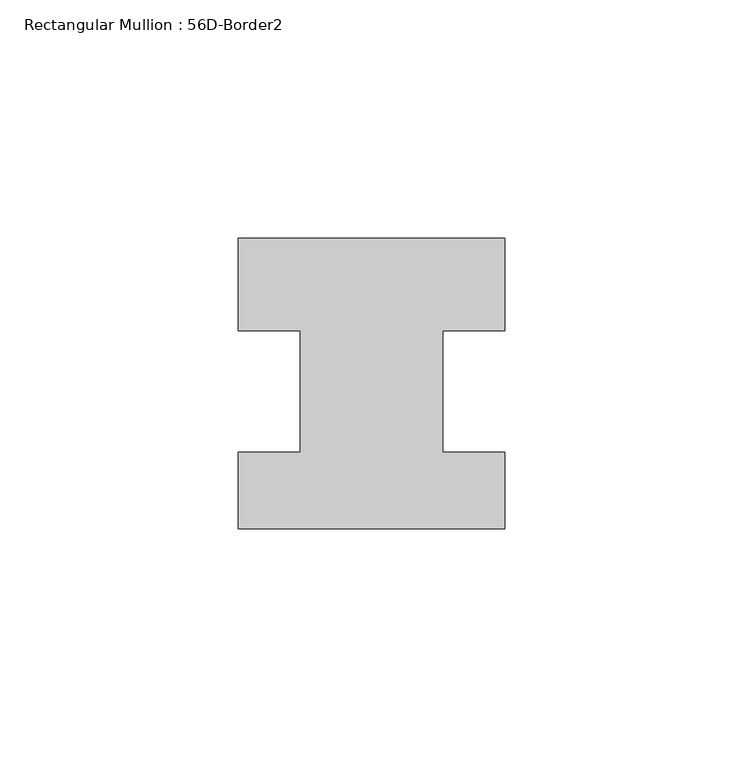
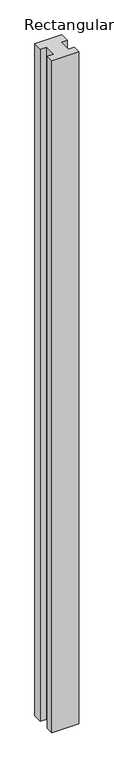
"""IFC4 building model written with IfcOpenShell, lengths in millimetres: member geometry, Rectangular Mullion : 56D-Border2."""

import ifcopenshell
import ifcopenshell.guid

model = None  # the IFC model being written
_history = None  # IfcOwnerHistory: only IFC2X3 demands one
_inside = {}  # id of a spatial element -> (the spatial element, [elements in it])
_under = {}  # id of a project, library or spatial element -> (it, [spatial elements below it])
_declared = {}  # id of a project -> (the project, [libraries it declares])
_typed = {}  # id of a type object -> (the type object, [elements of that type])
_made_of = {}  # id of a material, layer set ... -> (it, [elements and type objects made of it])


def new_model(schema):
    """Start an empty IFC model of exactly this schema.

    Asked for "IFC4X3", IfcOpenShell would pick the latest addendum, in which some entities
    have other attributes; the version numbers below select the first issue.
    IFC2X3 requires an IfcOwnerHistory on every rooted entity: one is made here for all.
    """
    global model, _history
    if schema == "IFC4X3":
        model = ifcopenshell.file(schema_version=(4, 3, 0, 0))
    else:
        model = ifcopenshell.file(schema=schema)
    _inside.clear()
    _under.clear()
    _declared.clear()
    _typed.clear()
    _made_of.clear()
    _history = None
    if model.schema == "IFC2X3":
        org = make("IfcOrganization", Name="unknown")
        user = make(
            "IfcPersonAndOrganization",
            ThePerson=make("IfcPerson", FamilyName="unknown"),
            TheOrganization=org,
        )
        app = make(
            "IfcApplication",
            ApplicationDeveloper=org,
            Version="unknown",
            ApplicationFullName="unknown",
            ApplicationIdentifier="unknown",
        )
        _history = make(
            "IfcOwnerHistory",
            OwningUser=user,
            OwningApplication=app,
            ChangeAction="ADDED",
            CreationDate=0,
        )
    return model


def make(cls, **values):
    """One entity of the class cls with the attributes given. An attribute that is None is left unset."""
    return model.create_entity(
        cls, **{name: value for name, value in values.items() if value is not None}
    )


def rooted(cls, **values):
    """An entity with a GlobalId (a new one), such as an element, a storey or a relation."""
    return make(cls, GlobalId=ifcopenshell.guid.new(), OwnerHistory=_history, **values)


def si_unit(unit_type, name, prefix=None):
    """IfcSIUnit, for example si_unit("LENGTHUNIT", "METRE", prefix="MILLI")."""
    return make("IfcSIUnit", UnitType=unit_type, Prefix=prefix, Name=name)


def assignment(units):
    """IfcUnitAssignment: the units of a project."""
    return None if units is None else make("IfcUnitAssignment", Units=units)


def point(xyz):
    """IfcCartesianPoint."""
    return None if xyz is None else make("IfcCartesianPoint", Coordinates=xyz)


def direction(xyz):
    """IfcDirection."""
    return None if xyz is None else make("IfcDirection", DirectionRatios=xyz)


def frame(location, z_axis=None, x_axis=None):
    """IfcAxis2Placement3D, a coordinate frame: its origin and axes. An axis left out is left unset."""
    return make(
        "IfcAxis2Placement3D",
        Location=point(location),
        Axis=direction(z_axis),
        RefDirection=direction(x_axis),
    )


def origin():
    """The frame at (0, 0, 0) with its axes left unset."""
    return frame((0.0, 0.0, 0.0))


def place(relative_to, where):
    """IfcLocalPlacement: puts the frame where relative to a parent placement (None: the world)."""
    return make(
        "IfcLocalPlacement", PlacementRelTo=relative_to, RelativePlacement=where
    )


def context(
    kind, dimensions, precision=None, world=None, true_north=None, identifier=None
):
    """IfcGeometricRepresentationContext, for example the 3D "Model" context."""
    return make(
        "IfcGeometricRepresentationContext",
        ContextIdentifier=identifier,
        ContextType=kind,
        CoordinateSpaceDimension=dimensions,
        Precision=precision,
        WorldCoordinateSystem=world,
        TrueNorth=true_north,
    )


def project(units=None, contexts=None):
    """IfcProject with its units and contexts."""
    return rooted(
        "IfcProject",
        Name="project",
        RepresentationContexts=contexts,
        UnitsInContext=assignment(units),
    )


def spatial(cls, under=None, at=None, **own):
    """A site, building, storey or space (cls), placed at a placement, below another one or the project."""
    s = rooted(cls, ObjectPlacement=at, **own)
    if under is not None:
        _under.setdefault(under.id(), (under, []))[1].append(s)
    return s


def polyline(points):
    """IfcPolyline through the points."""
    return make("IfcPolyline", Points=[point(p) for p in points])


def outline(outer, holes=None, kind="AREA"):
    """IfcArbitraryClosedProfileDef: a profile drawn as a closed curve; with holes, ...WithVoids."""
    if holes is None:
        return make("IfcArbitraryClosedProfileDef", ProfileType=kind, OuterCurve=outer)
    return make(
        "IfcArbitraryProfileDefWithVoids",
        ProfileType=kind,
        OuterCurve=outer,
        InnerCurves=holes,
    )


def extrude(swept, where, along, depth):
    """IfcExtrudedAreaSolid: the profile swept, set in the frame where, extruded along a direction by depth."""
    return make(
        "IfcExtrudedAreaSolid",
        SweptArea=swept,
        Position=where,
        ExtrudedDirection=direction(along),
        Depth=depth,
    )


def shape(context_of_items, identifier, shape_type, items):
    """IfcShapeRepresentation: the items that make up one representation, for example the "Body"."""
    return make(
        "IfcShapeRepresentation",
        ContextOfItems=context_of_items,
        RepresentationIdentifier=identifier,
        RepresentationType=shape_type,
        Items=items,
    )


def source(mapping_origin, context_of_items, identifier, shape_type, items):
    """IfcRepresentationMap: a shape defined once, which mapped items show again and again."""
    return make(
        "IfcRepresentationMap",
        MappingOrigin=mapping_origin,
        MappedRepresentation=shape(context_of_items, identifier, shape_type, items),
    )


def transform(
    local_origin,
    x_axis=None,
    y_axis=None,
    z_axis=None,
    scale=None,
    scale2=None,
    scale3=None,
    uniform=True,
):
    """IfcCartesianTransformationOperator3D, or its non-uniform kind. x_axis, y_axis, z_axis: its Axis1, 2, 3."""
    if uniform:
        return make(
            "IfcCartesianTransformationOperator3D",
            Axis1=direction(x_axis),
            Axis2=direction(y_axis),
            LocalOrigin=point(local_origin),
            Scale=scale,
            Axis3=direction(z_axis),
        )
    return make(
        "IfcCartesianTransformationOperator3DnonUniform",
        Axis1=direction(x_axis),
        Axis2=direction(y_axis),
        LocalOrigin=point(local_origin),
        Scale=scale,
        Axis3=direction(z_axis),
        Scale2=scale2,
        Scale3=scale3,
    )


def mapped(mapping_source, mapping_target):
    """IfcMappedItem: shows the shape of a source again, moved by a transform."""
    return make(
        "IfcMappedItem", MappingSource=mapping_source, MappingTarget=mapping_target
    )


def made_of(thing, what):
    """Note that an element or type object is made of a material, layer set ...; save() writes the relation."""
    if what is not None:
        _made_of.setdefault(what.id(), (what, []))[1].append(thing)
    return thing


def element(
    cls,
    number,
    at=None,
    inside=None,
    cuts=None,
    type_object=None,
    material=None,
    context=None,
    identifier="Body",
    shape_type=None,
    held_by="IfcProductDefinitionShape",
    body=None,
    shapes=None,
    **own,
):
    """One element of the class cls, such as IfcWall. Its Tag is "e" and its number.

    at: its placement. inside: the storey or other place that contains it. cuts: it is an
    opening in that element (IfcRelVoidsElement). A single representation is given by context,
    identifier, shape_type and body (its items); several are given by shapes. held_by: the class
    of the entity that holds the representations. save() writes the other relations.
    """
    e = rooted(cls, Tag="e%d" % number, ObjectPlacement=at, **own)
    if body is not None:
        shapes = [shape(context, identifier, shape_type, body)]
    if shapes is not None:
        e.Representation = make(held_by, Representations=shapes)
    if inside is not None:
        _inside.setdefault(inside.id(), (inside, []))[1].append(e)
    if cuts is not None:
        rooted(
            "IfcRelVoidsElement", RelatingBuildingElement=cuts, RelatedOpeningElement=e
        )
    if type_object is not None:
        _typed.setdefault(type_object.id(), (type_object, []))[1].append(e)
    return made_of(e, material)


def aggregate(whole, parts):
    """IfcRelAggregates: a whole, such as a stair, and the parts it consists of."""
    return rooted("IfcRelAggregates", RelatingObject=whole, RelatedObjects=parts)


def save(model, path):
    """Write the relations noted so far, then the file.

    IfcRelAggregates (storeys below a building ...), IfcRelContainedInSpatialStructure (elements
    in a storey), IfcRelDefinesByType, IfcRelAssociatesMaterial and IfcRelDeclares: one each for
    every whole, place, type object, material and project.
    """
    for whole, parts in _under.values():
        aggregate(whole, parts)
    for where, things in _inside.values():
        rooted(
            "IfcRelContainedInSpatialStructure",
            RelatedElements=things,
            RelatingStructure=where,
        )
    for kind, things in _typed.values():
        rooted("IfcRelDefinesByType", RelatedObjects=things, RelatingType=kind)
    for what, things in _made_of.values():
        rooted("IfcRelAssociatesMaterial", RelatedObjects=things, RelatingMaterial=what)
    for by, libraries in _declared.values():
        rooted("IfcRelDeclares", RelatingContext=by, RelatedDefinitions=libraries)
    model.write(path)


def rectangular_mullion_56d_border2_20fff0de(model_context):
    return source(origin(), model_context, "Body", "SweptSolid", [
        extrude(outline(polyline([(0.0, 20.0), (0.0, 0.5), (-13.0, 0.5), (-13.0, -25.0), (0.0, -25.0), (0.0, -41.0), (-56.0, -41.0), (-56.0, -25.0), (-43.0, -25.0), (-43.0, 0.5), (-56.0, 0.5), (-56.0, 20.0), (0.0, 20.0)])), frame((0.0, 0.0, -1477.534293), z_axis=(0.0, 0.0, 1.0), x_axis=(1.0, 0.0, 0.0)), (0.0, 0.0, 1.0), 1477.534293),
    ])


if __name__ == "__main__":
    model = new_model("IFC4")
    model_context = context("Model", 3, world=origin())
    ifc_project = project(units=[si_unit("LENGTHUNIT", "METRE", prefix="MILLI")], contexts=[model_context])
    site = spatial("IfcSite", under=ifc_project)
    building = spatial("IfcBuilding", under=site)
    placement = place(None, origin())
    rectangular_mullion_56d_border2_shape = rectangular_mullion_56d_border2_20fff0de(model_context)
    element("IfcMember", 1, ObjectType="Rectangular Mullion : 56D-Border2", at=placement, inside=building, context=model_context, shape_type="MappedRepresentation", body=[
        mapped(rectangular_mullion_56d_border2_shape, transform((0.0, 0.0, 0.0), x_axis=(1.0, 0.0, 0.0), y_axis=(0.0, 1.0, 0.0), z_axis=(0.0, 0.0, 1.0))),
    ])
    save(model, "model.ifc")
